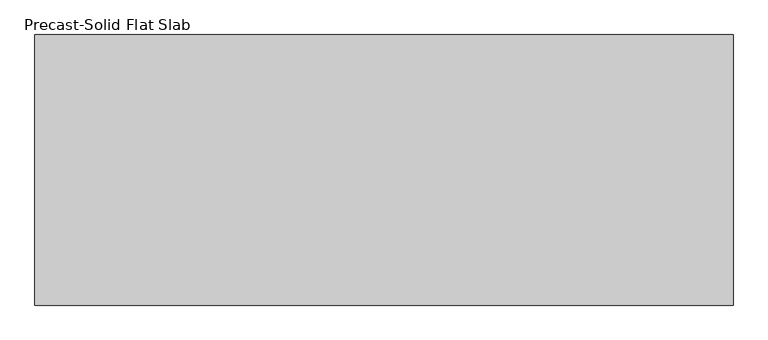
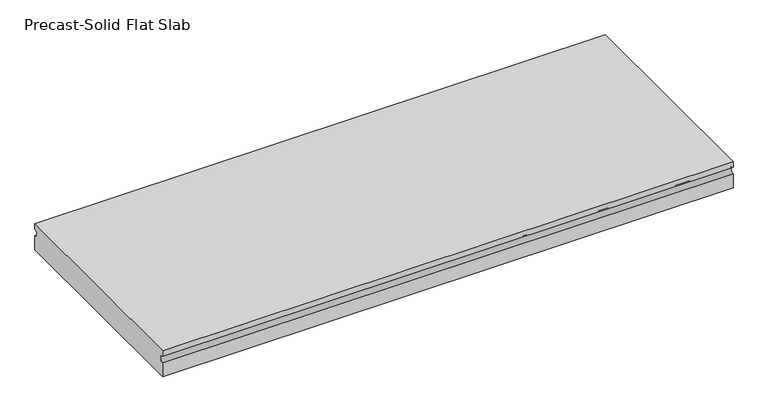
"""IFC4 building model written with IfcOpenShell, lengths in millimetres: beam geometry, Precast-Solid Flat Slab."""

from ifc_helpers import new_model, si_unit, point, frame, frame_2d, origin, place, context, project, spatial, polyline, circle_curve, trimmed, segment, composite_curve, outline, extrude, source, transform, mapped, element, save


def precast_solid_flat_slab_57ddbb1b(model_context):
    return source(origin(), model_context, "Body", "SweptSolid", [
        extrude(outline(composite_curve([segment(polyline([(-304.8, 38.1), (304.8, 38.1), (304.8, 22.225)]), True, "CONTINUOUS"), segment(trimmed(circle_curve(frame_2d((304.8, 12.7)), 9.525), [point((304.8, 22.225))], [point((304.8, 3.175))], True, "CARTESIAN"), True, "CONTINUOUS"), segment(polyline([(304.8, 3.175), (304.8, -38.1), (-304.8, -38.1), (-304.8, 3.175)]), True, "CONTINUOUS"), segment(trimmed(circle_curve(frame_2d((-304.8, 12.7)), 9.525), [point((-304.8, 3.175))], [point((-304.8, 22.225))], True, "CARTESIAN"), True, "CONTINUOUS"), segment(polyline([(-304.8, 22.225), (-304.8, 38.1)]), True, "CONTINUOUS")], self_intersect=False)), frame((-830.2624994, 0.0, 0.0), z_axis=(1.0, 0.0, 0.0), x_axis=(0.0, 1.0, 0.0)), (0.0, 0.0, 1.0), 1572.5675775),
    ])


if __name__ == "__main__":
    model = new_model("IFC4")
    model_context = context("Model", 3, world=origin())
    ifc_project = project(units=[si_unit("LENGTHUNIT", "METRE", prefix="MILLI")], contexts=[model_context])
    site = spatial("IfcSite", under=ifc_project)
    building = spatial("IfcBuilding", under=site)
    placement = place(None, origin())
    precast_solid_flat_slab_shape = precast_solid_flat_slab_57ddbb1b(model_context)
    element("IfcBeam", 1, ObjectType="Precast-Solid Flat Slab", at=placement, inside=building, context=model_context, shape_type="MappedRepresentation", body=[
        mapped(precast_solid_flat_slab_shape, transform((0.0, 0.0, 0.0), x_axis=(1.0, 0.0, 0.0), y_axis=(0.0, 1.0, 0.0), z_axis=(0.0, 0.0, 1.0))),
    ])
    save(model, "model.ifc")
